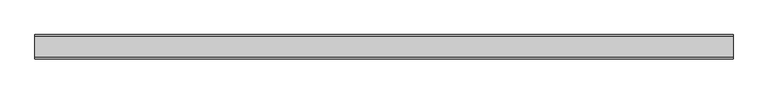
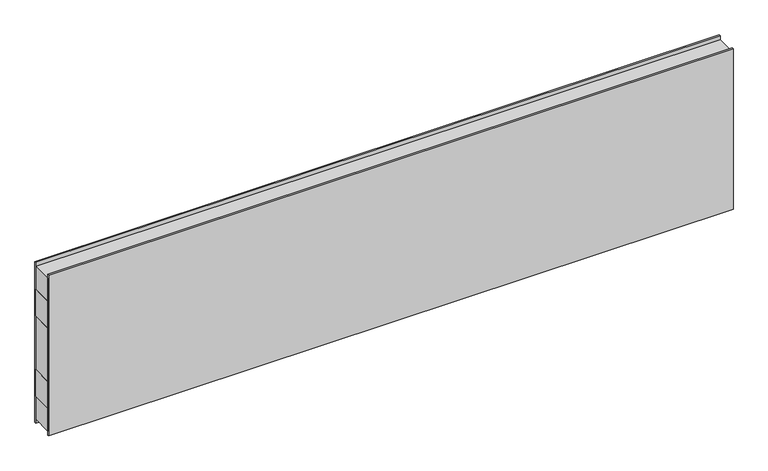
"""IFC4 building model written with IfcOpenShell, lengths in millimetres: plate geometry."""

from ifc_helpers import new_model, si_unit, frame, origin, origin_with_axes, place, context, project, spatial, polyline, outline, extrude, source, transform, mapped, element, save


def plate_03a475c5(model_context):
    return source(origin(), model_context, "Body", "SweptSolid", [
        extrude(outline(polyline([(-1208.5284838, -37.5), (-1208.5284838, 37.5), (1208.5284838, 37.5), (1208.5284838, -37.5), (-1208.5284838, -37.5)])), frame((0.0, 0.0, 400.0), z_axis=(0.0, 0.0, 1.0), x_axis=(1.0, 0.0, 0.0)), (0.0, 0.0, 1.0), 100.0),
        extrude(outline(polyline([(-1208.5284838, -37.5), (-1208.5284838, 37.5), (1208.5284838, 37.5), (1208.5284838, -37.5), (-1208.5284838, -37.5)])), frame((0.0, 0.0, 100.0), z_axis=(0.0, 0.0, 1.0), x_axis=(1.0, 0.0, 0.0)), (0.0, 0.0, 1.0), 100.0),
        extrude(outline(polyline([(-1208.5284838, -42.0), (-1208.5284838, -37.5), (1208.5284838, -37.5), (1208.5284838, -42.0), (-1208.5284838, -42.0)])), origin_with_axes(), (0.0, 0.0, 1.0), 600.0),
        extrude(outline(polyline([(-1208.5284838, 37.5), (-1208.5284838, 42.0), (1208.5284838, 42.0), (1208.5284838, 37.5), (-1208.5284838, 37.5)])), origin_with_axes(), (0.0, 0.0, 1.0), 600.0),
        extrude(outline(polyline([(1208.5284838, 37.5), (1208.5284838, -37.5), (-1208.5284838, -37.5), (-1208.5284838, 37.5), (1208.5284838, 37.5)])), frame((0.0, 0.0, 500.0), z_axis=(0.0, 0.0, 1.0), x_axis=(1.0, 0.0, 0.0)), (0.0, 0.0, 1.0), 85.0),
        extrude(outline(polyline([(1208.5284838, 37.5), (1208.5284838, -37.5), (-1208.5284838, -37.5), (-1208.5284838, 37.5), (1208.5284838, 37.5)])), frame((0.0, 0.0, 15.0), z_axis=(0.0, 0.0, 1.0), x_axis=(1.0, 0.0, 0.0)), (0.0, 0.0, 1.0), 85.0),
        extrude(outline(polyline([(1208.5284838, 37.5), (1208.5284838, -37.5), (-1208.5284838, -37.5), (-1208.5284838, 37.5), (1208.5284838, 37.5)])), frame((0.0, 0.0, 200.0), z_axis=(0.0, 0.0, 1.0), x_axis=(1.0, 0.0, 0.0)), (0.0, 0.0, 1.0), 200.0),
    ])


if __name__ == "__main__":
    model = new_model("IFC4")
    model_context = context("Model", 3, world=origin())
    ifc_project = project(units=[si_unit("LENGTHUNIT", "METRE", prefix="MILLI")], contexts=[model_context])
    site = spatial("IfcSite", under=ifc_project)
    building = spatial("IfcBuilding", under=site)
    placement = place(None, origin())
    plate_shape = plate_03a475c5(model_context)
    element("IfcPlate", 1, at=placement, inside=building, context=model_context, shape_type="MappedRepresentation", body=[
        mapped(plate_shape, transform((0.0, 0.0, 0.0), x_axis=(1.0, 0.0, 0.0), y_axis=(0.0, 1.0, 0.0), z_axis=(0.0, 0.0, 1.0))),
    ])
    save(model, "model.ifc")
